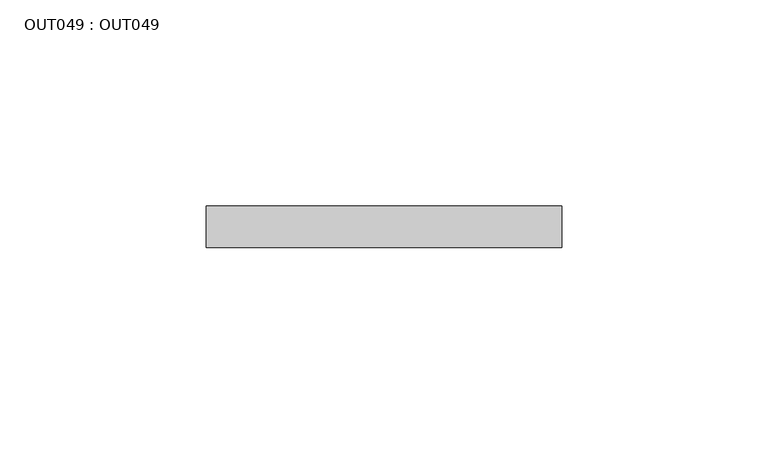
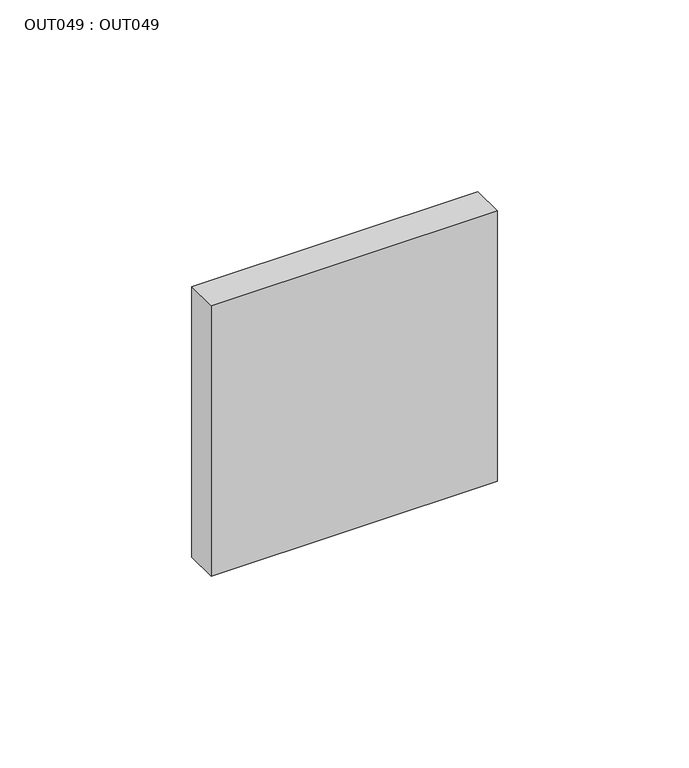
"""IFC4 building model written with IfcOpenShell, lengths in millimetres: proxy geometry, OUT049 : OUT049."""

from ifc_helpers import new_model, si_unit, frame, origin, place, context, project, spatial, polyline, outline, extrude, source, transform, mapped, element, save


def out049_out049_f9604dea(model_context):
    return source(origin(), model_context, "Body", "SweptSolid", [
        extrude(outline(polyline([(42.558579, 0.0), (42.558579, -10.0000005), (-43.4414224, -10.0000005), (-43.4414224, 0.0), (42.558579, 0.0)])), frame((0.0, 0.0, -43.0000007), z_axis=(0.0, 0.0, 1.0), x_axis=(1.0, 0.0, 0.0)), (0.0, 0.0, 1.0), 86.0000014),
    ])


if __name__ == "__main__":
    model = new_model("IFC4")
    model_context = context("Model", 3, world=origin())
    ifc_project = project(units=[si_unit("LENGTHUNIT", "METRE", prefix="MILLI")], contexts=[model_context])
    site = spatial("IfcSite", under=ifc_project)
    building = spatial("IfcBuilding", under=site)
    placement = place(None, origin())
    out049_out049_shape = out049_out049_f9604dea(model_context)
    element("IfcBuildingElementProxy", 1, Name="OUT049 : OUT049", ObjectType="OUT049 : OUT049", at=placement, inside=building, context=model_context, shape_type="MappedRepresentation", body=[
        mapped(out049_out049_shape, transform((0.0, 0.0, 0.0), x_axis=(1.0, 0.0, 0.0), y_axis=(0.0, 1.0, 0.0), z_axis=(0.0, 0.0, 1.0))),
    ])
    save(model, "model.ifc")
